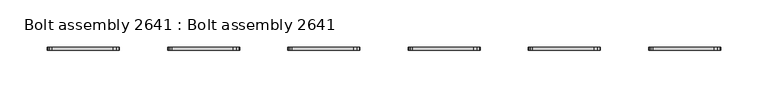
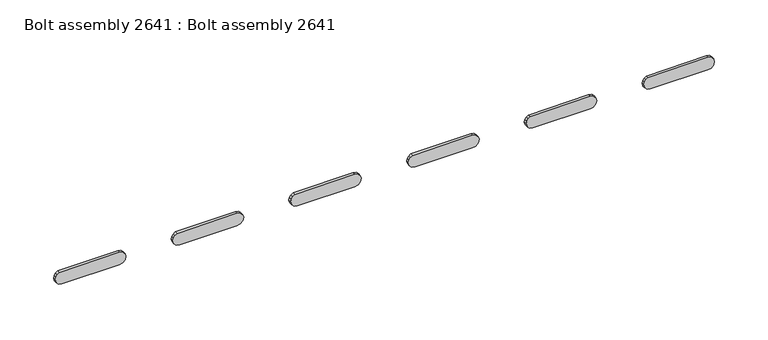
"""IFC4 building model written with IfcOpenShell, lengths in millimetres: proxy geometry, Bolt assembly 2641 : Bolt assembly 2641."""

from ifc_helpers import new_model, si_unit, frame, origin, place, context, project, spatial, polyline, outline, extrude, source, transform, mapped, element, save


def bolt_assembly_2641_bolt_assembly_2641_bfa297c0(model_context):
    return source(origin(), model_context, "Body", "SweptSolid", [
        extrude(outline(polyline([(-76.5975015, 254.9572486), (-79.212753, 257.5725001), (-80.1700015, 261.1450001), (-80.1700015, 323.0549999), (-79.212753, 326.6274999), (-76.5975015, 329.2427514), (-73.0250015, 330.1999999), (-69.4525015, 329.2427514), (-66.83725, 326.6274999), (-65.8800015, 323.0549999), (-66.4238823, 258.410727), (-67.9727236, 256.0927221), (-70.2907284, 254.5438808), (-73.0250015, 254.0000001), (-76.5975015, 254.9572486)])), frame((0.0, 1860.4500008, 0.0), z_axis=(0.0, 1.0, 0.0), x_axis=(0.0, 0.0, 1.0)), (0.0, 0.0, 1.0), 3.275),
        extrude(outline(polyline([(-76.5975015, 381.9572486), (-79.212753, 384.5725001), (-80.1700015, 388.1450001), (-80.1700015, 450.0549999), (-79.212753, 453.6274999), (-76.5975015, 456.2427514), (-73.0250015, 457.1999999), (-69.4525015, 456.2427514), (-66.83725, 453.6274999), (-65.8800015, 450.0549999), (-66.4238823, 385.410727), (-67.9727236, 383.0927221), (-70.2907284, 381.5438808), (-73.0250015, 381.0000001), (-76.5975015, 381.9572486)])), frame((0.0, 1860.4500008, 0.0), z_axis=(0.0, 1.0, 0.0), x_axis=(0.0, 0.0, 1.0)), (0.0, 0.0, 1.0), 3.275),
        extrude(outline(polyline([(-76.5975015, 508.9572486), (-79.212753, 511.5725001), (-80.1700015, 515.1450001), (-80.1700015, 577.0549999), (-79.212753, 580.6274999), (-76.5975015, 583.2427514), (-73.0250015, 584.1999999), (-69.4525015, 583.2427514), (-66.83725, 580.6274999), (-65.8800015, 577.0549999), (-66.4238823, 512.410727), (-67.9727236, 510.0927221), (-70.2907284, 508.5438808), (-73.0250015, 508.0000001), (-76.5975015, 508.9572486)])), frame((0.0, 1860.4500008, 0.0), z_axis=(0.0, 1.0, 0.0), x_axis=(0.0, 0.0, 1.0)), (0.0, 0.0, 1.0), 3.275),
        extrude(outline(polyline([(-76.5975015, 635.9572486), (-79.212753, 638.5725001), (-80.1700015, 642.1450001), (-80.1700015, 704.0549999), (-79.212753, 707.6274999), (-76.5975015, 710.2427514), (-73.0250015, 711.1999999), (-69.4525015, 710.2427514), (-66.83725, 707.6274999), (-65.8800015, 704.0549999), (-66.4238823, 639.410727), (-67.9727236, 637.0927221), (-70.2907284, 635.5438808), (-73.0250015, 635.0000001), (-76.5975015, 635.9572486)])), frame((0.0, 1860.4500008, 0.0), z_axis=(0.0, 1.0, 0.0), x_axis=(0.0, 0.0, 1.0)), (0.0, 0.0, 1.0), 3.275),
        extrude(outline(polyline([(-76.5975015, 762.9572486), (-79.212753, 765.5725001), (-80.1700015, 769.1450001), (-80.1700015, 831.0549999), (-79.212753, 834.6274999), (-76.5975015, 837.2427514), (-73.0250015, 838.1999999), (-69.4525015, 837.2427514), (-66.83725, 834.6274999), (-65.8800015, 831.0549999), (-66.4238823, 766.410727), (-67.9727236, 764.0927221), (-70.2907284, 762.5438808), (-73.0250015, 762.0000001), (-76.5975015, 762.9572486)])), frame((0.0, 1860.4500008, 0.0), z_axis=(0.0, 1.0, 0.0), x_axis=(0.0, 0.0, 1.0)), (0.0, 0.0, 1.0), 3.275),
        extrude(outline(polyline([(-76.5975015, 889.9572486), (-79.212753, 892.5725001), (-80.1700015, 896.1450001), (-80.1700015, 958.0549999), (-79.212753, 961.6274999), (-76.5975015, 964.2427514), (-73.0250015, 965.1999999), (-69.4525015, 964.2427514), (-66.83725, 961.6274999), (-65.8800015, 958.0549999), (-66.4238823, 893.410727), (-67.9727236, 891.0927221), (-70.2907284, 889.5438808), (-73.0250015, 889.0000001), (-76.5975015, 889.9572486)])), frame((0.0, 1860.4500008, 0.0), z_axis=(0.0, 1.0, 0.0), x_axis=(0.0, 0.0, 1.0)), (0.0, 0.0, 1.0), 3.275),
    ])


if __name__ == "__main__":
    model = new_model("IFC4")
    model_context = context("Model", 3, world=origin())
    ifc_project = project(units=[si_unit("LENGTHUNIT", "METRE", prefix="MILLI")], contexts=[model_context])
    site = spatial("IfcSite", under=ifc_project)
    building = spatial("IfcBuilding", under=site)
    placement = place(None, origin())
    bolt_assembly_2641_bolt_assembly_2641_shape = bolt_assembly_2641_bolt_assembly_2641_bfa297c0(model_context)
    element("IfcBuildingElementProxy", 1, Name="Bolt assembly 2641 : Bolt assembly 2641", ObjectType="Bolt assembly 2641 : Bolt assembly 2641", at=placement, inside=building, context=model_context, shape_type="MappedRepresentation", body=[
        mapped(bolt_assembly_2641_bolt_assembly_2641_shape, transform((0.0, 0.0, 0.0), x_axis=(1.0, 0.0, 0.0), y_axis=(0.0, 1.0, 0.0), z_axis=(0.0, 0.0, 1.0))),
    ])
    save(model, "model.ifc")
